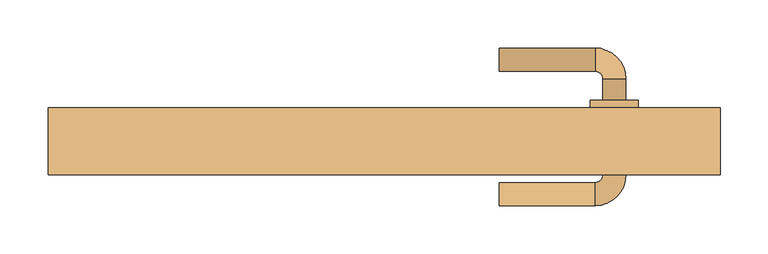
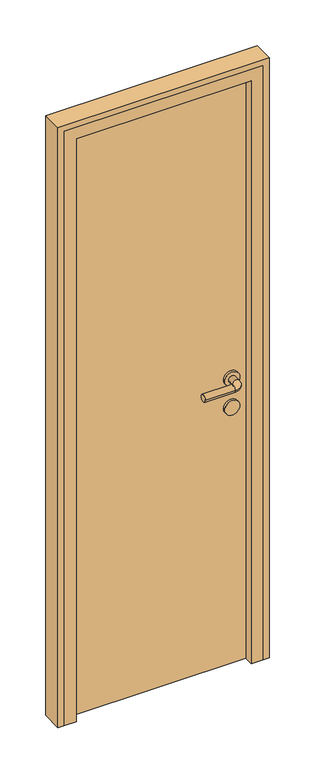
"""IFC4 building model written with IfcOpenShell, lengths in millimetres: door geometry."""

from ifc_helpers import new_model, si_unit, point, frame, frame_2d, origin, origin_with_axes, place, context, project, spatial, polyline, circle_curve, ellipse_curve, trimmed, segment, composite_curve, outline, extrude, faceted_brep, source, transform, mapped, element, save
from ifc_brep_helpers import plane_surface, cylinder_surface, revolved_surface, advanced_brep


def door_f9a9ba4e(model_context):
    return source(origin(), model_context, "Body", "SolidModel", [
        advanced_brep(
        [(120.0, 152.0, 1000.0), (120.0, 128.0, 1000.0), (220.0, 128.0, 1000.0), (220.0, 152.0, 1000.0), (228.0, 120.0, 1000.0), (252.0, 120.0, 1000.0), (252.0, 20.0, 1000.0), (252.0, 42.0, 1000.0), (228.0, 42.0, 1000.0), (228.0, 20.0, 1000.0), (228.0, 98.0, 1000.0), (252.0, 98.0, 1000.0), (220.0, 12.0, 1000.0), (220.0, -12.0, 1000.0), (120.0, -12.0, 1000.0), (120.0, 12.0, 1000.0), (265.0, 98.0, 1000.0), (215.0, 98.0, 1000.0), (265.0, 42.0, 1000.0), (215.0, 42.0, 1000.0)],
        [
            (0, 1, circle_curve(frame((120.0, 140.0, 1000.0), z_axis=(-1.0, 0.0, 0.0), x_axis=(0.0, -1.0, 0.0)), 12.0)),
            (1, 0, circle_curve(frame((120.0, 140.0, 1000.0), z_axis=(-1.0, 0.0, 0.0), x_axis=(0.0, -1.0, 0.0)), 12.0)),
            (1, 2),
            (2, 3, circle_curve(frame((220.0, 140.0, 1000.0), z_axis=(-1.0, 0.0, 0.0), x_axis=(0.0, -1.0, 0.0)), 12.0)),
            (3, 0),
            (3, 2, circle_curve(frame((220.0, 140.0, 1000.0), z_axis=(-1.0, 0.0, 0.0), x_axis=(0.0, -1.0, 0.0)), 12.0)),
            (2, 4, circle_curve(frame((220.0, 120.0, 1000.0), z_axis=(0.0, 0.0, -1.0), x_axis=(0.0, 1.0, 0.0)), 8.0)),
            (4, 5, circle_curve(frame((240.0, 120.0, 1000.0), z_axis=(0.0, 1.0, 0.0), x_axis=(-1.0, 0.0, 0.0)), 12.0)),
            (5, 3, circle_curve(frame((220.0, 120.0, 1000.0), z_axis=(0.0, 0.0, 1.0), x_axis=(0.0, 1.0, 0.0)), 32.0)),
            (5, 4, circle_curve(frame((240.0, 120.0, 1000.0), z_axis=(0.0, 1.0, 0.0), x_axis=(-1.0, 0.0, 0.0)), 12.0)),
            (6, 7),
            (7, 8, circle_curve(frame((240.0, 42.0, 1000.0), z_axis=(0.0, -1.0, 0.0), x_axis=(-1.0, 0.0, 0.0)), 12.0)),
            (8, 9),
            (9, 6, circle_curve(frame((240.0, 20.0, 1000.0), z_axis=(0.0, 1.0, 0.0), x_axis=(-1.0, 0.0, 0.0)), 12.0)),
            (4, 10),
            (10, 11, circle_curve(frame((240.0, 98.0, 1000.0), z_axis=(0.0, 1.0, 0.0), x_axis=(-1.0, 0.0, 0.0)), 12.0)),
            (11, 5),
            (11, 10, circle_curve(frame((240.0, 98.0, 1000.0), z_axis=(0.0, 1.0, 0.0), x_axis=(-1.0, 0.0, 0.0)), 12.0)),
            (8, 7, circle_curve(frame((240.0, 42.0, 1000.0), z_axis=(0.0, -1.0, 0.0), x_axis=(-1.0, 0.0, 0.0)), 12.0)),
            (6, 9, circle_curve(frame((240.0, 20.0, 1000.0), z_axis=(0.0, 1.0, 0.0), x_axis=(-1.0, 0.0, 0.0)), 12.0)),
            (9, 12, circle_curve(frame((220.0, 20.0, 1000.0), z_axis=(0.0, 0.0, -1.0), x_axis=(1.0, 0.0, 0.0)), 8.0)),
            (12, 13, circle_curve(frame((220.0, 0.0, 1000.0), z_axis=(1.0, 0.0, 0.0), x_axis=(0.0, 1.0, 0.0)), 12.0)),
            (13, 6, circle_curve(frame((220.0, 20.0, 1000.0), z_axis=(0.0, 0.0, 1.0), x_axis=(1.0, 0.0, 0.0)), 32.0)),
            (13, 12, circle_curve(frame((220.0, 0.0, 1000.0), z_axis=(1.0, 0.0, 0.0), x_axis=(0.0, 1.0, 0.0)), 12.0)),
            (14, 15, circle_curve(frame((120.0, 0.0, 1000.0), z_axis=(-1.0, 0.0, 0.0), x_axis=(0.0, 1.0, 0.0)), 12.0)),
            (15, 14, circle_curve(frame((120.0, 0.0, 1000.0), z_axis=(-1.0, 0.0, 0.0), x_axis=(0.0, 1.0, 0.0)), 12.0)),
            (12, 15),
            (14, 13),
            (16, 17, circle_curve(frame((240.0, 98.0, 1000.0), z_axis=(0.0, 1.0, 0.0), x_axis=(-1.0, 0.0, 0.0)), 25.0)),
            (17, 16, circle_curve(frame((240.0, 98.0, 1000.0), z_axis=(0.0, 1.0, 0.0), x_axis=(-1.0, 0.0, 0.0)), 25.0)),
            (18, 19, circle_curve(frame((240.0, 42.0, 1000.0), z_axis=(0.0, -1.0, 0.0), x_axis=(-1.0, 0.0, 0.0)), 25.0)),
            (19, 18, circle_curve(frame((240.0, 42.0, 1000.0), z_axis=(0.0, -1.0, 0.0), x_axis=(-1.0, 0.0, 0.0)), 25.0)),
            (16, 18),
            (19, 17),
        ],
        [
            plane_surface(frame((120.0, 140.0, 1000.0), z_axis=(-1.0, 0.0, 0.0), x_axis=(0.0, 0.0, 1.0))),
            cylinder_surface(frame((120.0, 140.0, 1000.0), z_axis=(-1.0, 0.0, 0.0), x_axis=(0.0, -1.0, 0.0)), 12.0),
            revolved_surface(trimmed(ellipse_curve(frame((220.0, 140.0, 1000.0), z_axis=(1.0, 0.0, 0.0), x_axis=(0.0, -1.0, 0.0)), 12.0, 12.0), [point((220.0, 152.0, 1000.0))], [point((220.0, 128.0, 1000.0))], True, "CARTESIAN"), (220.0, 120.0, 1000.0), (0.0, 0.0, 1.0)),
            revolved_surface(trimmed(ellipse_curve(frame((220.0, 140.0, 1000.0), z_axis=(1.0, 0.0, 0.0), x_axis=(0.0, -1.0, 0.0)), 12.0, 12.0), [point((220.0, 128.0, 1000.0))], [point((220.0, 152.0, 1000.0))], True, "CARTESIAN"), (220.0, 120.0, 1000.0), (0.0, 0.0, 1.0)),
            cylinder_surface(frame((240.0, 120.0, 1000.0), z_axis=(0.0, 1.0, 0.0), x_axis=(-1.0, 0.0, 0.0)), 12.0),
            revolved_surface(trimmed(ellipse_curve(frame((240.0, 20.0, 1000.0), z_axis=(0.0, -1.0, 0.0), x_axis=(-1.0, 0.0, 0.0)), 12.0, 12.0), [point((252.0, 20.0, 1000.0))], [point((228.0, 20.0, 1000.0))], True, "CARTESIAN"), (220.0, 20.0, 1000.0), (0.0, 0.0, 1.0)),
            revolved_surface(trimmed(ellipse_curve(frame((240.0, 20.0, 1000.0), z_axis=(0.0, -1.0, 0.0), x_axis=(-1.0, 0.0, 0.0)), 12.0, 12.0), [point((228.0, 20.0, 1000.0))], [point((252.0, 20.0, 1000.0))], True, "CARTESIAN"), (220.0, 20.0, 1000.0), (0.0, 0.0, 1.0)),
            plane_surface(frame((120.0, 0.0, 1000.0), z_axis=(-1.0, 0.0, 0.0), x_axis=(0.0, 0.0, 1.0))),
            cylinder_surface(frame((220.0, 0.0, 1000.0), z_axis=(1.0, 0.0, 0.0), x_axis=(0.0, 1.0, 0.0)), 12.0),
            plane_surface(frame((215.0, 98.0, 1000.0), z_axis=(0.0, 1.0, 0.0), x_axis=(0.0, 0.0, -1.0))),
            plane_surface(frame((215.0, 42.0, 1000.0), z_axis=(0.0, -1.0, 0.0), x_axis=(0.0, 0.0, 1.0))),
            cylinder_surface(frame((240.0, 98.0, 1000.0), z_axis=(0.0, -1.0, 0.0), x_axis=(-1.0, 0.0, 0.0)), 25.0),
        ],
        [
            (0, [[1, 2]]),
            (1, [[3, 4, 5, -2]]),
            (1, [[-5, 6, -3, -1]]),
            (2, [[7, 8, 9, -4]]),
            (3, [[-9, 10, -7, -6]]),
            (4, [[11, 12, 13, 14]]),
            (4, [[15, 16, 17, -8]]),
            (4, [[-17, 18, -15, -10]]),
            (4, [[-13, 19, -11, 20]]),
            (5, [[21, 22, 23, -14]]),
            (6, [[-23, 24, -21, -20]]),
            (7, [[25, 26]]),
            (8, [[27, -25, 28, -22]]),
            (8, [[-28, -26, -27, -24]]),
            (9, [[29, 30], [-18, -16]]),
            (10, [[31, 32], [-19, -12]]),
            (11, [[33, -32, 34, -29]]),
            (11, [[-34, -31, -33, -30]]),
        ],
    ),
        extrude(outline(composite_curve([segment(trimmed(circle_curve(frame_2d((900.0, 240.0)), 25.0), [point((900.0, 265.0))], [point((900.0, 215.0))], False, "CARTESIAN"), True, "CONTINUOUS"), segment(trimmed(circle_curve(frame_2d((900.0, 240.0)), 25.0), [point((900.0, 215.0))], [point((900.0, 265.0))], False, "CARTESIAN"), True, "CONTINUOUS")], self_intersect=False)), frame((0.0, 42.0, 0.0), z_axis=(0.0, 1.0, 0.0), x_axis=(0.0, 0.0, 1.0)), (0.0, 0.0, 1.0), 56.0),
        extrude(outline(polyline([(300.0, 50.0), (-300.0, 50.0), (-300.0, 90.0), (300.0, 90.0), (300.0, 50.0)])), origin_with_axes(), (0.0, 0.0, 1.0), 2050.0),
        extrude(outline(polyline([(0.0, 350.0), (2100.0, 350.0), (2100.0, -350.0), (0.0, -350.0), (0.0, -330.0), (2080.0, -330.0), (2080.0, 330.0), (0.0, 330.0), (0.0, 350.0)])), frame((0.0, 20.0, 0.0), z_axis=(0.0, 1.0, 0.0), x_axis=(0.0, 0.0, 1.0)), (0.0, 0.0, 1.0), 70.0),
        faceted_brep([(-330.0, 20.0, 0.0), (-330.0, 90.0, 0.0), (-300.0, 90.0, 0.0), (-300.0, 50.0, 0.0), (-290.0, 50.0, 0.0), (-290.0, 20.0, 0.0), (-330.0, 20.0, 2080.0), (-330.0, 90.0, 2080.0), (330.0, 90.0, 2080.0), (330.0, 90.0, 0.0), (300.0, 90.0, 0.0), (300.0, 90.0, 2050.0), (-300.0, 90.0, 2050.0), (-300.0, 50.0, 2050.0), (300.0, 50.0, 2050.0), (300.0, 50.0, 0.0), (290.0, 50.0, 0.0), (290.0, 50.0, 2040.0), (-290.0, 50.0, 2040.0), (-290.0, 20.0, 2040.0), (290.0, 20.0, 2040.0), (290.0, 20.0, 0.0), (330.0, 20.0, 0.0), (330.0, 20.0, 2080.0)], [[[0, 1, 2, 3, 4, 5]], [[1, 0, 6, 7]], [[2, 1, 7, 8, 9, 10, 11, 12]], [[3, 2, 12, 13]], [[4, 3, 13, 14, 15, 16, 17, 18]], [[5, 4, 18, 19]], [[0, 5, 19, 20, 21, 22, 23, 6]], [[7, 6, 23, 8]], [[13, 12, 11, 14]], [[19, 18, 17, 20]], [[22, 21, 16, 15, 10, 9]], [[8, 23, 22, 9]], [[14, 11, 10, 15]], [[20, 17, 16, 21]]]),
    ])


if __name__ == "__main__":
    model = new_model("IFC4")
    model_context = context("Model", 3, world=origin())
    ifc_project = project(units=[si_unit("LENGTHUNIT", "METRE", prefix="MILLI")], contexts=[model_context])
    site = spatial("IfcSite", under=ifc_project)
    building = spatial("IfcBuilding", under=site)
    placement = place(None, origin())
    door_shape = door_f9a9ba4e(model_context)
    element("IfcDoor", 1, at=placement, inside=building, context=model_context, shape_type="MappedRepresentation", body=[
        mapped(door_shape, transform((0.0, 0.0, 0.0), x_axis=(1.0, 0.0, 0.0), y_axis=(0.0, 1.0, 0.0), z_axis=(0.0, 0.0, 1.0))),
    ])
    save(model, "model.ifc")
